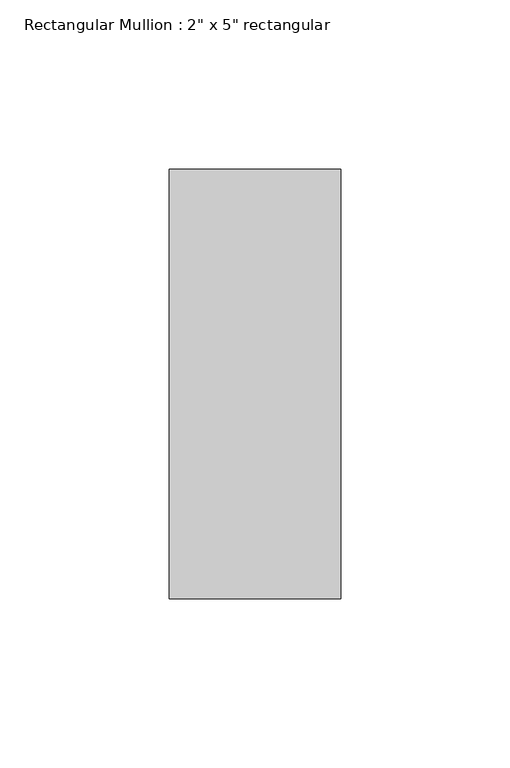
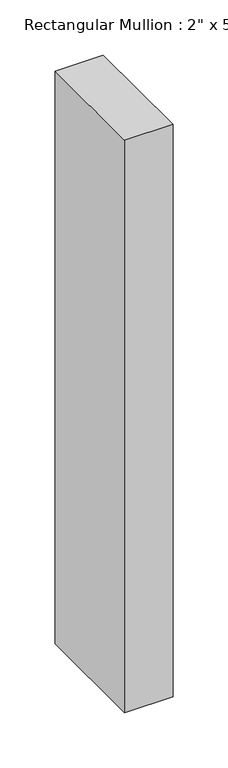
"""IFC4 building model written with IfcOpenShell, lengths in millimetres: member geometry."""

import ifcopenshell
import ifcopenshell.guid

model = None  # the IFC model being written
_history = None  # IfcOwnerHistory: only IFC2X3 demands one
_inside = {}  # id of a spatial element -> (the spatial element, [elements in it])
_under = {}  # id of a project, library or spatial element -> (it, [spatial elements below it])
_declared = {}  # id of a project -> (the project, [libraries it declares])
_typed = {}  # id of a type object -> (the type object, [elements of that type])
_made_of = {}  # id of a material, layer set ... -> (it, [elements and type objects made of it])


def new_model(schema):
    """Start an empty IFC model of exactly this schema.

    Asked for "IFC4X3", IfcOpenShell would pick the latest addendum, in which some entities
    have other attributes; the version numbers below select the first issue.
    IFC2X3 requires an IfcOwnerHistory on every rooted entity: one is made here for all.
    """
    global model, _history
    if schema == "IFC4X3":
        model = ifcopenshell.file(schema_version=(4, 3, 0, 0))
    else:
        model = ifcopenshell.file(schema=schema)
    _inside.clear()
    _under.clear()
    _declared.clear()
    _typed.clear()
    _made_of.clear()
    _history = None
    if model.schema == "IFC2X3":
        org = make("IfcOrganization", Name="unknown")
        user = make(
            "IfcPersonAndOrganization",
            ThePerson=make("IfcPerson", FamilyName="unknown"),
            TheOrganization=org,
        )
        app = make(
            "IfcApplication",
            ApplicationDeveloper=org,
            Version="unknown",
            ApplicationFullName="unknown",
            ApplicationIdentifier="unknown",
        )
        _history = make(
            "IfcOwnerHistory",
            OwningUser=user,
            OwningApplication=app,
            ChangeAction="ADDED",
            CreationDate=0,
        )
    return model


def make(cls, **values):
    """One entity of the class cls with the attributes given. An attribute that is None is left unset."""
    return model.create_entity(
        cls, **{name: value for name, value in values.items() if value is not None}
    )


def rooted(cls, **values):
    """An entity with a GlobalId (a new one), such as an element, a storey or a relation."""
    return make(cls, GlobalId=ifcopenshell.guid.new(), OwnerHistory=_history, **values)


def si_unit(unit_type, name, prefix=None):
    """IfcSIUnit, for example si_unit("LENGTHUNIT", "METRE", prefix="MILLI")."""
    return make("IfcSIUnit", UnitType=unit_type, Prefix=prefix, Name=name)


def assignment(units):
    """IfcUnitAssignment: the units of a project."""
    return None if units is None else make("IfcUnitAssignment", Units=units)


def point(xyz):
    """IfcCartesianPoint."""
    return None if xyz is None else make("IfcCartesianPoint", Coordinates=xyz)


def direction(xyz):
    """IfcDirection."""
    return None if xyz is None else make("IfcDirection", DirectionRatios=xyz)


def frame(location, z_axis=None, x_axis=None):
    """IfcAxis2Placement3D, a coordinate frame: its origin and axes. An axis left out is left unset."""
    return make(
        "IfcAxis2Placement3D",
        Location=point(location),
        Axis=direction(z_axis),
        RefDirection=direction(x_axis),
    )


def origin():
    """The frame at (0, 0, 0) with its axes left unset."""
    return frame((0.0, 0.0, 0.0))


def place(relative_to, where):
    """IfcLocalPlacement: puts the frame where relative to a parent placement (None: the world)."""
    return make(
        "IfcLocalPlacement", PlacementRelTo=relative_to, RelativePlacement=where
    )


def context(
    kind, dimensions, precision=None, world=None, true_north=None, identifier=None
):
    """IfcGeometricRepresentationContext, for example the 3D "Model" context."""
    return make(
        "IfcGeometricRepresentationContext",
        ContextIdentifier=identifier,
        ContextType=kind,
        CoordinateSpaceDimension=dimensions,
        Precision=precision,
        WorldCoordinateSystem=world,
        TrueNorth=true_north,
    )


def project(units=None, contexts=None):
    """IfcProject with its units and contexts."""
    return rooted(
        "IfcProject",
        Name="project",
        RepresentationContexts=contexts,
        UnitsInContext=assignment(units),
    )


def spatial(cls, under=None, at=None, **own):
    """A site, building, storey or space (cls), placed at a placement, below another one or the project."""
    s = rooted(cls, ObjectPlacement=at, **own)
    if under is not None:
        _under.setdefault(under.id(), (under, []))[1].append(s)
    return s


def polyline(points):
    """IfcPolyline through the points."""
    return make("IfcPolyline", Points=[point(p) for p in points])


def outline(outer, holes=None, kind="AREA"):
    """IfcArbitraryClosedProfileDef: a profile drawn as a closed curve; with holes, ...WithVoids."""
    if holes is None:
        return make("IfcArbitraryClosedProfileDef", ProfileType=kind, OuterCurve=outer)
    return make(
        "IfcArbitraryProfileDefWithVoids",
        ProfileType=kind,
        OuterCurve=outer,
        InnerCurves=holes,
    )


def extrude(swept, where, along, depth):
    """IfcExtrudedAreaSolid: the profile swept, set in the frame where, extruded along a direction by depth."""
    return make(
        "IfcExtrudedAreaSolid",
        SweptArea=swept,
        Position=where,
        ExtrudedDirection=direction(along),
        Depth=depth,
    )


def shape(context_of_items, identifier, shape_type, items):
    """IfcShapeRepresentation: the items that make up one representation, for example the "Body"."""
    return make(
        "IfcShapeRepresentation",
        ContextOfItems=context_of_items,
        RepresentationIdentifier=identifier,
        RepresentationType=shape_type,
        Items=items,
    )


def source(mapping_origin, context_of_items, identifier, shape_type, items):
    """IfcRepresentationMap: a shape defined once, which mapped items show again and again."""
    return make(
        "IfcRepresentationMap",
        MappingOrigin=mapping_origin,
        MappedRepresentation=shape(context_of_items, identifier, shape_type, items),
    )


def transform(
    local_origin,
    x_axis=None,
    y_axis=None,
    z_axis=None,
    scale=None,
    scale2=None,
    scale3=None,
    uniform=True,
):
    """IfcCartesianTransformationOperator3D, or its non-uniform kind. x_axis, y_axis, z_axis: its Axis1, 2, 3."""
    if uniform:
        return make(
            "IfcCartesianTransformationOperator3D",
            Axis1=direction(x_axis),
            Axis2=direction(y_axis),
            LocalOrigin=point(local_origin),
            Scale=scale,
            Axis3=direction(z_axis),
        )
    return make(
        "IfcCartesianTransformationOperator3DnonUniform",
        Axis1=direction(x_axis),
        Axis2=direction(y_axis),
        LocalOrigin=point(local_origin),
        Scale=scale,
        Axis3=direction(z_axis),
        Scale2=scale2,
        Scale3=scale3,
    )


def mapped(mapping_source, mapping_target):
    """IfcMappedItem: shows the shape of a source again, moved by a transform."""
    return make(
        "IfcMappedItem", MappingSource=mapping_source, MappingTarget=mapping_target
    )


def made_of(thing, what):
    """Note that an element or type object is made of a material, layer set ...; save() writes the relation."""
    if what is not None:
        _made_of.setdefault(what.id(), (what, []))[1].append(thing)
    return thing


def element(
    cls,
    number,
    at=None,
    inside=None,
    cuts=None,
    type_object=None,
    material=None,
    context=None,
    identifier="Body",
    shape_type=None,
    held_by="IfcProductDefinitionShape",
    body=None,
    shapes=None,
    **own,
):
    """One element of the class cls, such as IfcWall. Its Tag is "e" and its number.

    at: its placement. inside: the storey or other place that contains it. cuts: it is an
    opening in that element (IfcRelVoidsElement). A single representation is given by context,
    identifier, shape_type and body (its items); several are given by shapes. held_by: the class
    of the entity that holds the representations. save() writes the other relations.
    """
    e = rooted(cls, Tag="e%d" % number, ObjectPlacement=at, **own)
    if body is not None:
        shapes = [shape(context, identifier, shape_type, body)]
    if shapes is not None:
        e.Representation = make(held_by, Representations=shapes)
    if inside is not None:
        _inside.setdefault(inside.id(), (inside, []))[1].append(e)
    if cuts is not None:
        rooted(
            "IfcRelVoidsElement", RelatingBuildingElement=cuts, RelatedOpeningElement=e
        )
    if type_object is not None:
        _typed.setdefault(type_object.id(), (type_object, []))[1].append(e)
    return made_of(e, material)


def aggregate(whole, parts):
    """IfcRelAggregates: a whole, such as a stair, and the parts it consists of."""
    return rooted("IfcRelAggregates", RelatingObject=whole, RelatedObjects=parts)


def save(model, path):
    """Write the relations noted so far, then the file.

    IfcRelAggregates (storeys below a building ...), IfcRelContainedInSpatialStructure (elements
    in a storey), IfcRelDefinesByType, IfcRelAssociatesMaterial and IfcRelDeclares: one each for
    every whole, place, type object, material and project.
    """
    for whole, parts in _under.values():
        aggregate(whole, parts)
    for where, things in _inside.values():
        rooted(
            "IfcRelContainedInSpatialStructure",
            RelatedElements=things,
            RelatingStructure=where,
        )
    for kind, things in _typed.values():
        rooted("IfcRelDefinesByType", RelatedObjects=things, RelatingType=kind)
    for what, things in _made_of.values():
        rooted("IfcRelAssociatesMaterial", RelatedObjects=things, RelatingMaterial=what)
    for by, libraries in _declared.values():
        rooted("IfcRelDeclares", RelatingContext=by, RelatedDefinitions=libraries)
    model.write(path)


def member_45bf8fdf(model_context):
    return source(origin(), model_context, "Body", "SweptSolid", [
        extrude(outline(polyline([(25.4, 63.5), (25.4, -63.5), (-25.4, -63.5), (-25.4, 63.5), (25.4, 63.5)])), frame((0.0, 0.0, -635.0), z_axis=(0.0, 0.0, 1.0), x_axis=(1.0, 0.0, 0.0)), (0.0, 0.0, 1.0), 635.0),
    ])


if __name__ == "__main__":
    model = new_model("IFC4")
    model_context = context("Model", 3, world=origin())
    ifc_project = project(units=[si_unit("LENGTHUNIT", "METRE", prefix="MILLI")], contexts=[model_context])
    site = spatial("IfcSite", under=ifc_project)
    building = spatial("IfcBuilding", under=site)
    placement = place(None, origin())
    member_shape = member_45bf8fdf(model_context)
    element("IfcMember", 1, ObjectType="Rectangular Mullion : 2\" x 5\" rectangular", at=placement, inside=building, context=model_context, shape_type="MappedRepresentation", body=[
        mapped(member_shape, transform((0.0, 0.0, 0.0), x_axis=(1.0, 0.0, 0.0), y_axis=(0.0, 1.0, 0.0), z_axis=(0.0, 0.0, 1.0))),
    ])
    save(model, "model.ifc")
